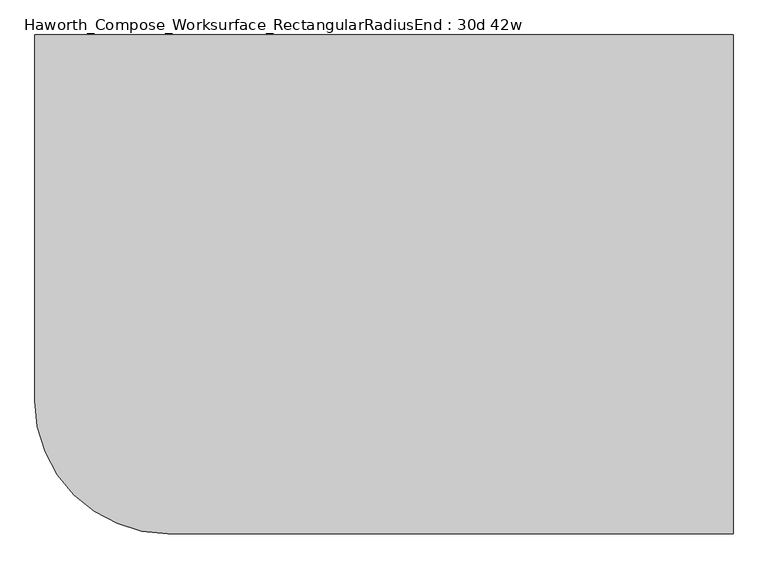
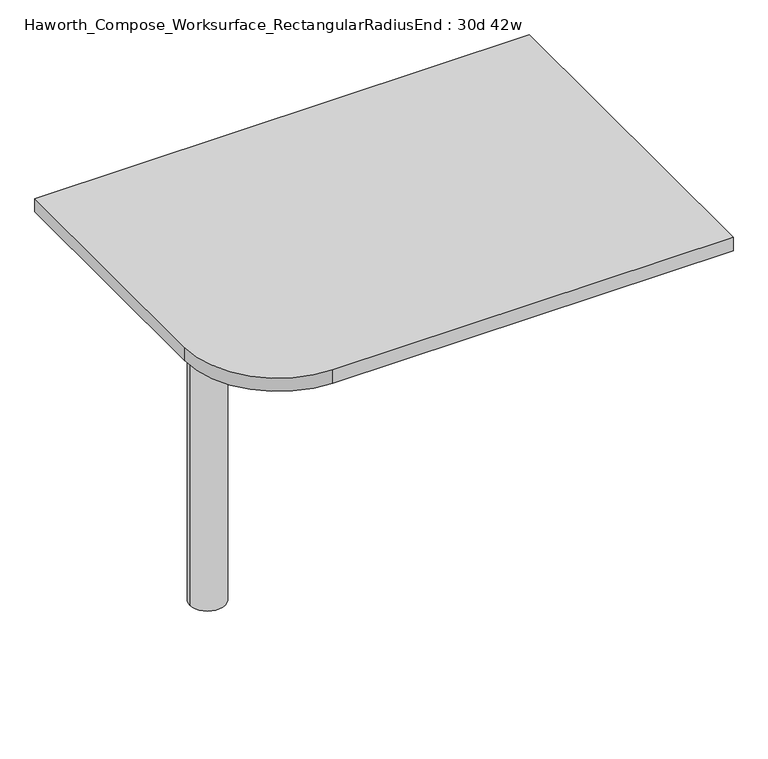
"""IFC4 building model written with IfcOpenShell, lengths in millimetres: furniture geometry, Haworth_Compose_Worksurface_RectangularRadiusEnd : 30d 42w."""

import ifcopenshell
import ifcopenshell.guid

model = None  # the IFC model being written
_history = None  # IfcOwnerHistory: only IFC2X3 demands one
_inside = {}  # id of a spatial element -> (the spatial element, [elements in it])
_under = {}  # id of a project, library or spatial element -> (it, [spatial elements below it])
_declared = {}  # id of a project -> (the project, [libraries it declares])
_typed = {}  # id of a type object -> (the type object, [elements of that type])
_made_of = {}  # id of a material, layer set ... -> (it, [elements and type objects made of it])


def new_model(schema):
    """Start an empty IFC model of exactly this schema.

    Asked for "IFC4X3", IfcOpenShell would pick the latest addendum, in which some entities
    have other attributes; the version numbers below select the first issue.
    IFC2X3 requires an IfcOwnerHistory on every rooted entity: one is made here for all.
    """
    global model, _history
    if schema == "IFC4X3":
        model = ifcopenshell.file(schema_version=(4, 3, 0, 0))
    else:
        model = ifcopenshell.file(schema=schema)
    _inside.clear()
    _under.clear()
    _declared.clear()
    _typed.clear()
    _made_of.clear()
    _history = None
    if model.schema == "IFC2X3":
        org = make("IfcOrganization", Name="unknown")
        user = make(
            "IfcPersonAndOrganization",
            ThePerson=make("IfcPerson", FamilyName="unknown"),
            TheOrganization=org,
        )
        app = make(
            "IfcApplication",
            ApplicationDeveloper=org,
            Version="unknown",
            ApplicationFullName="unknown",
            ApplicationIdentifier="unknown",
        )
        _history = make(
            "IfcOwnerHistory",
            OwningUser=user,
            OwningApplication=app,
            ChangeAction="ADDED",
            CreationDate=0,
        )
    return model


def make(cls, **values):
    """One entity of the class cls with the attributes given. An attribute that is None is left unset."""
    return model.create_entity(
        cls, **{name: value for name, value in values.items() if value is not None}
    )


def rooted(cls, **values):
    """An entity with a GlobalId (a new one), such as an element, a storey or a relation."""
    return make(cls, GlobalId=ifcopenshell.guid.new(), OwnerHistory=_history, **values)


def si_unit(unit_type, name, prefix=None):
    """IfcSIUnit, for example si_unit("LENGTHUNIT", "METRE", prefix="MILLI")."""
    return make("IfcSIUnit", UnitType=unit_type, Prefix=prefix, Name=name)


def assignment(units):
    """IfcUnitAssignment: the units of a project."""
    return None if units is None else make("IfcUnitAssignment", Units=units)


def point(xyz):
    """IfcCartesianPoint."""
    return None if xyz is None else make("IfcCartesianPoint", Coordinates=xyz)


def direction(xyz):
    """IfcDirection."""
    return None if xyz is None else make("IfcDirection", DirectionRatios=xyz)


def frame(location, z_axis=None, x_axis=None):
    """IfcAxis2Placement3D, a coordinate frame: its origin and axes. An axis left out is left unset."""
    return make(
        "IfcAxis2Placement3D",
        Location=point(location),
        Axis=direction(z_axis),
        RefDirection=direction(x_axis),
    )


def frame_2d(location, x_axis=None):
    """IfcAxis2Placement2D, a coordinate frame in the plane: its origin and x axis."""
    return make(
        "IfcAxis2Placement2D", Location=point(location), RefDirection=direction(x_axis)
    )


def origin():
    """The frame at (0, 0, 0) with its axes left unset."""
    return frame((0.0, 0.0, 0.0))


def place(relative_to, where):
    """IfcLocalPlacement: puts the frame where relative to a parent placement (None: the world)."""
    return make(
        "IfcLocalPlacement", PlacementRelTo=relative_to, RelativePlacement=where
    )


def context(
    kind, dimensions, precision=None, world=None, true_north=None, identifier=None
):
    """IfcGeometricRepresentationContext, for example the 3D "Model" context."""
    return make(
        "IfcGeometricRepresentationContext",
        ContextIdentifier=identifier,
        ContextType=kind,
        CoordinateSpaceDimension=dimensions,
        Precision=precision,
        WorldCoordinateSystem=world,
        TrueNorth=true_north,
    )


def project(units=None, contexts=None):
    """IfcProject with its units and contexts."""
    return rooted(
        "IfcProject",
        Name="project",
        RepresentationContexts=contexts,
        UnitsInContext=assignment(units),
    )


def spatial(cls, under=None, at=None, **own):
    """A site, building, storey or space (cls), placed at a placement, below another one or the project."""
    s = rooted(cls, ObjectPlacement=at, **own)
    if under is not None:
        _under.setdefault(under.id(), (under, []))[1].append(s)
    return s


def polyline(points):
    """IfcPolyline through the points."""
    return make("IfcPolyline", Points=[point(p) for p in points])


def circle_curve(where, radius):
    """IfcCircle in the frame where."""
    return make("IfcCircle", Position=where, Radius=radius)


def trimmed(basis, trim1, trim2, sense, master):
    """IfcTrimmedCurve: the piece of a basis curve between two trims."""
    return make(
        "IfcTrimmedCurve",
        BasisCurve=basis,
        Trim1=trim1,
        Trim2=trim2,
        SenseAgreement=sense,
        MasterRepresentation=master,
    )


def segment(curve, same_sense, transition):
    """IfcCompositeCurveSegment."""
    return make(
        "IfcCompositeCurveSegment",
        Transition=transition,
        SameSense=same_sense,
        ParentCurve=curve,
    )


def composite_curve(segments, self_intersect=None):
    """IfcCompositeCurve: segments joined end to end."""
    return make("IfcCompositeCurve", Segments=segments, SelfIntersect=self_intersect)


def outline(outer, holes=None, kind="AREA"):
    """IfcArbitraryClosedProfileDef: a profile drawn as a closed curve; with holes, ...WithVoids."""
    if holes is None:
        return make("IfcArbitraryClosedProfileDef", ProfileType=kind, OuterCurve=outer)
    return make(
        "IfcArbitraryProfileDefWithVoids",
        ProfileType=kind,
        OuterCurve=outer,
        InnerCurves=holes,
    )


def extrude(swept, where, along, depth):
    """IfcExtrudedAreaSolid: the profile swept, set in the frame where, extruded along a direction by depth."""
    return make(
        "IfcExtrudedAreaSolid",
        SweptArea=swept,
        Position=where,
        ExtrudedDirection=direction(along),
        Depth=depth,
    )


def shape(context_of_items, identifier, shape_type, items):
    """IfcShapeRepresentation: the items that make up one representation, for example the "Body"."""
    return make(
        "IfcShapeRepresentation",
        ContextOfItems=context_of_items,
        RepresentationIdentifier=identifier,
        RepresentationType=shape_type,
        Items=items,
    )


def source(mapping_origin, context_of_items, identifier, shape_type, items):
    """IfcRepresentationMap: a shape defined once, which mapped items show again and again."""
    return make(
        "IfcRepresentationMap",
        MappingOrigin=mapping_origin,
        MappedRepresentation=shape(context_of_items, identifier, shape_type, items),
    )


def transform(
    local_origin,
    x_axis=None,
    y_axis=None,
    z_axis=None,
    scale=None,
    scale2=None,
    scale3=None,
    uniform=True,
):
    """IfcCartesianTransformationOperator3D, or its non-uniform kind. x_axis, y_axis, z_axis: its Axis1, 2, 3."""
    if uniform:
        return make(
            "IfcCartesianTransformationOperator3D",
            Axis1=direction(x_axis),
            Axis2=direction(y_axis),
            LocalOrigin=point(local_origin),
            Scale=scale,
            Axis3=direction(z_axis),
        )
    return make(
        "IfcCartesianTransformationOperator3DnonUniform",
        Axis1=direction(x_axis),
        Axis2=direction(y_axis),
        LocalOrigin=point(local_origin),
        Scale=scale,
        Axis3=direction(z_axis),
        Scale2=scale2,
        Scale3=scale3,
    )


def mapped(mapping_source, mapping_target):
    """IfcMappedItem: shows the shape of a source again, moved by a transform."""
    return make(
        "IfcMappedItem", MappingSource=mapping_source, MappingTarget=mapping_target
    )


def made_of(thing, what):
    """Note that an element or type object is made of a material, layer set ...; save() writes the relation."""
    if what is not None:
        _made_of.setdefault(what.id(), (what, []))[1].append(thing)
    return thing


def element(
    cls,
    number,
    at=None,
    inside=None,
    cuts=None,
    type_object=None,
    material=None,
    context=None,
    identifier="Body",
    shape_type=None,
    held_by="IfcProductDefinitionShape",
    body=None,
    shapes=None,
    **own,
):
    """One element of the class cls, such as IfcWall. Its Tag is "e" and its number.

    at: its placement. inside: the storey or other place that contains it. cuts: it is an
    opening in that element (IfcRelVoidsElement). A single representation is given by context,
    identifier, shape_type and body (its items); several are given by shapes. held_by: the class
    of the entity that holds the representations. save() writes the other relations.
    """
    e = rooted(cls, Tag="e%d" % number, ObjectPlacement=at, **own)
    if body is not None:
        shapes = [shape(context, identifier, shape_type, body)]
    if shapes is not None:
        e.Representation = make(held_by, Representations=shapes)
    if inside is not None:
        _inside.setdefault(inside.id(), (inside, []))[1].append(e)
    if cuts is not None:
        rooted(
            "IfcRelVoidsElement", RelatingBuildingElement=cuts, RelatedOpeningElement=e
        )
    if type_object is not None:
        _typed.setdefault(type_object.id(), (type_object, []))[1].append(e)
    return made_of(e, material)


def aggregate(whole, parts):
    """IfcRelAggregates: a whole, such as a stair, and the parts it consists of."""
    return rooted("IfcRelAggregates", RelatingObject=whole, RelatedObjects=parts)


def save(model, path):
    """Write the relations noted so far, then the file.

    IfcRelAggregates (storeys below a building ...), IfcRelContainedInSpatialStructure (elements
    in a storey), IfcRelDefinesByType, IfcRelAssociatesMaterial and IfcRelDeclares: one each for
    every whole, place, type object, material and project.
    """
    for whole, parts in _under.values():
        aggregate(whole, parts)
    for where, things in _inside.values():
        rooted(
            "IfcRelContainedInSpatialStructure",
            RelatedElements=things,
            RelatingStructure=where,
        )
    for kind, things in _typed.values():
        rooted("IfcRelDefinesByType", RelatedObjects=things, RelatingType=kind)
    for what, things in _made_of.values():
        rooted("IfcRelAssociatesMaterial", RelatedObjects=things, RelatingMaterial=what)
    for by, libraries in _declared.values():
        rooted("IfcRelDeclares", RelatingContext=by, RelatedDefinitions=libraries)
    model.write(path)


def plane_surface(at):
    """IfcPlane: the flat surface through the origin of the frame at, square to its z axis."""
    return make("IfcPlane", Position=at)


def cylinder_surface(at, radius):
    """IfcCylindricalSurface: all points at the distance radius from the z axis of the frame at."""
    return make("IfcCylindricalSurface", Position=at, Radius=radius)


def revolved_surface(curve, axis_point, axis_direction):
    """IfcSurfaceOfRevolution: the curve turned about the line through axis_point along axis_direction."""
    return make(
        "IfcSurfaceOfRevolution",
        SweptCurve=make("IfcArbitraryOpenProfileDef", ProfileType="CURVE", Curve=curve),
        AxisPosition=make("IfcAxis1Placement", Location=point(axis_point), Axis=direction(axis_direction)),
    )


def advanced_brep(points, edges, surfaces, faces):
    """IfcAdvancedBrep: a solid bounded by faces that lie on surfaces and meet in shared edges.

    An edge is (start, end): straight between two places in points (the first is 0);
    or (start, end, curve); or (start, end, curve, False) where it runs against its curve.
    A face is (place in surfaces, loops), or (place, loops, False) where it looks against
    its surface's normal. A loop lists edges by number (the first is 1), with a minus sign
    where the edge is run from its end to its start. The first loop is the outer one.
    """
    corners = [point(p) for p in points]
    vertices = [make("IfcVertexPoint", VertexGeometry=c) for c in corners]
    made = []
    for start, end, *more in edges:
        made.append(
            make(
                "IfcEdgeCurve",
                EdgeStart=vertices[start],
                EdgeEnd=vertices[end],
                EdgeGeometry=more[0] if more else make("IfcPolyline", Points=[corners[start], corners[end]]),
                SameSense=more[1] if len(more) > 1 else True,
            )
        )
    hull = []
    for where, loops, *sense in faces:
        bounds = []
        for j, loop in enumerate(loops):
            ring = [make("IfcOrientedEdge", EdgeElement=made[abs(k) - 1], Orientation=k > 0) for k in loop]
            bounds.append(
                make(
                    "IfcFaceOuterBound" if j == 0 else "IfcFaceBound",
                    Bound=make("IfcEdgeLoop", EdgeList=ring),
                    Orientation=True,
                )
            )
        hull.append(make("IfcAdvancedFace", Bounds=bounds, FaceSurface=surfaces[where], SameSense=sense[0] if sense else True))
    return make("IfcAdvancedBrep", Outer=make("IfcClosedShell", CfsFaces=hull))


def haworth_compose_worksurface_rectangularradiusend_30d_42w_fe7e2249(model_context):
    return source(origin(), model_context, "Body", "SolidModel", [
        advanced_brep(
        [(527.84375, 381.0, 475.45625), (527.84375, 365.125, 475.45625), (527.84375, -25.4, 691.7192568), (527.84375, -25.4, 704.05625), (527.84375, 365.125, 704.05625), (527.84375, 381.0, 704.05625), (527.84375, 297.690072, 665.95625), (527.84375, 254.0355284, 665.95625), (527.84375, 251.3564235, 656.3705539), (527.84375, 343.0776173, 605.5776439), (527.84375, 352.425, 611.1756969), (527.84375, 352.425, 634.6860246), (527.84375, 350.6730055, 637.5242776), (527.84375, 300.7663437, 665.1613425), (530.225, 381.0, 475.45625), (530.225, 381.0, 704.05625), (530.225, 365.125, 704.05625), (530.225, 365.125, 706.4375), (530.225, -25.4, 706.4375), (530.225, -25.4, 691.7192568), (530.225, 365.125, 475.45625), (530.225, 297.690072, 665.95625), (530.225, 300.7663437, 665.1613425), (530.225, 350.6730055, 637.5242776), (530.225, 352.425, 634.6860246), (530.225, 352.425, 611.1756969), (530.225, 343.0776173, 605.5776439), (530.225, 251.3564235, 656.3705539), (530.225, 254.0355284, 665.95625), (488.95, -25.4, 706.4375), (488.95, -25.4, 704.05625), (488.95, 365.125, 704.05625), (488.95, 365.125, 706.4375)],
        [
            (0, 1),
            (1, 2),
            (2, 3),
            (3, 4),
            (4, 5),
            (5, 0),
            (6, 7),
            (7, 8, circle_curve(frame((527.84375, 254.0355284, 660.7890106), z_axis=(1.0, 0.0, 0.0), x_axis=(0.0, -1.0, 0.0)), 5.1672394)),
            (8, 9),
            (9, 10, circle_curve(frame((527.84375, 346.075, 611.1756969), z_axis=(1.0, 0.0, 0.0), x_axis=(0.0, -1.0, 0.0)), 6.35)),
            (10, 11),
            (11, 12, circle_curve(frame((527.84375, 349.25, 634.6860246), z_axis=(1.0, 0.0, 0.0), x_axis=(0.0, -1.0, 0.0)), 3.175)),
            (12, 13),
            (13, 6, circle_curve(frame((527.84375, 297.690072, 659.60625), z_axis=(1.0, 0.0, 0.0), x_axis=(0.0, -1.0, 0.0)), 6.35)),
            (14, 15),
            (15, 16),
            (16, 17),
            (17, 18),
            (18, 19),
            (19, 20),
            (20, 14),
            (21, 22, circle_curve(frame((530.225, 297.690072, 659.60625), z_axis=(-1.0, 0.0, 0.0), x_axis=(0.0, -1.0, 0.0)), 6.35)),
            (22, 23),
            (23, 24, circle_curve(frame((530.225, 349.25, 634.6860246), z_axis=(-1.0, 0.0, 0.0), x_axis=(0.0, -1.0, 0.0)), 3.175)),
            (24, 25),
            (25, 26, circle_curve(frame((530.225, 346.075, 611.1756969), z_axis=(-1.0, 0.0, 0.0), x_axis=(0.0, -1.0, 0.0)), 6.35)),
            (26, 27),
            (27, 28, circle_curve(frame((530.225, 254.0355284, 660.7890106), z_axis=(-1.0, 0.0, 0.0), x_axis=(0.0, -1.0, 0.0)), 5.1672394)),
            (28, 21),
            (4, 16),
            (15, 5),
            (14, 0),
            (20, 1),
            (19, 2),
            (18, 29),
            (29, 30),
            (30, 3),
            (6, 21),
            (28, 7),
            (9, 26),
            (25, 10),
            (24, 11),
            (23, 12),
            (27, 8),
            (31, 4),
            (30, 31),
            (32, 29),
            (17, 32),
            (31, 32),
            (22, 13),
        ],
        [
            plane_surface(frame((527.84375, 381.0, 475.45625), z_axis=(-1.0, 0.0, 0.0), x_axis=(0.0, 1.0, 0.0))),
            plane_surface(frame((530.225, 381.0, 475.45625), z_axis=(1.0, 0.0, 0.0), x_axis=(0.0, -1.0, 0.0))),
            plane_surface(frame((530.225, -25.4, 704.05625), z_axis=(0.0, 0.0, 1.0), x_axis=(-1.0, 0.0, 0.0))),
            plane_surface(frame((530.225, 381.0, 704.05625), z_axis=(0.0, 1.0, 0.0), x_axis=(-1.0, 0.0, 0.0))),
            plane_surface(frame((530.225, 381.0, 475.45625), z_axis=(0.0, 0.0, -1.0), x_axis=(-1.0, 0.0, 0.0))),
            plane_surface(frame((530.225, 365.125, 475.45625), z_axis=(0.0, -0.48445223513455843, -0.8748177135112952), x_axis=(-1.0, 0.0, 0.0))),
            plane_surface(frame((530.225, -25.4, 691.7192568), z_axis=(0.0, -1.0, 0.0), x_axis=(-1.0, 0.0, 0.0))),
            plane_surface(frame((530.225, 297.690072, 665.95625), z_axis=(0.0, 0.0, -1.0), x_axis=(-1.0, 0.0, 0.0))),
            revolved_surface(polyline([(527.84375, 339.72499999999997, 611.1756969), (530.225, 339.72499999999997, 611.1756969)]), (530.225, 346.075, 611.1756969), (-1.0, 0.0, 0.0)),
            plane_surface(frame((530.225, 352.425, 611.1756969), z_axis=(0.0, -1.0, 0.0), x_axis=(-1.0, 0.0, 0.0))),
            revolved_surface(polyline([(527.84375, 346.075, 634.6860246), (530.225, 346.075, 634.6860246)]), (530.225, 349.25, 634.6860246), (-1.0, 0.0, 0.0)),
            revolved_surface(polyline([(527.84375, 248.868289, 660.7890106), (530.225, 248.868289, 660.7890106)]), (530.225, 254.0355284, 660.7890106), (-1.0, 0.0, 0.0)),
            plane_surface(frame((530.225, 365.125, 704.05625), z_axis=(0.0, 0.0, -1.0), x_axis=(-1.0, 0.0, 0.0))),
            plane_surface(frame((530.225, 365.125, 706.4375), z_axis=(0.0, 0.0, 1.0), x_axis=(1.0, 0.0, 0.0))),
            plane_surface(frame((488.95, 365.125, 706.4375), z_axis=(0.0, 1.0, 0.0), x_axis=(0.0, 0.0, -1.0))),
            plane_surface(frame((488.95, -25.4, 706.4375), z_axis=(-1.0, 0.0, 0.0), x_axis=(0.0, 0.0, -1.0))),
            plane_surface(frame((530.225, 251.3564235, 656.3705539), z_axis=(0.0, 0.4844522351345583, 0.8748177135112953), x_axis=(-1.0, 0.0, 0.0))),
            plane_surface(frame((530.225, 350.6730055, 637.5242776), z_axis=(0.0, -0.4844522351345582, -0.8748177135112953), x_axis=(-1.0, 0.0, 0.0))),
            revolved_surface(polyline([(527.84375, 291.34007199999996, 659.60625), (530.225, 291.34007199999996, 659.60625)]), (530.225, 297.690072, 659.60625), (-1.0, 0.0, 0.0)),
        ],
        [
            (0, [[1, 2, 3, 4, 5, 6], [7, 8, 9, 10, 11, 12, 13, 14]]),
            (1, [[15, 16, 17, 18, 19, 20, 21], [22, 23, 24, 25, 26, 27, 28, 29]]),
            (2, [[-5, 30, -16, 31]]),
            (3, [[-31, -15, 32, -6]]),
            (4, [[-32, -21, 33, -1]]),
            (5, [[-33, -20, 34, -2]]),
            (6, [[-34, -19, 35, 36, 37, -3]]),
            (7, [[38, -29, 39, -7]]),
            (8, [[40, -26, 41, -10]]),
            (9, [[-41, -25, 42, -11]]),
            (10, [[-42, -24, 43, -12]]),
            (11, [[-39, -28, 44, -8]]),
            (12, [[45, -4, -37, 46]]),
            (13, [[47, -35, -18, 48]]),
            (14, [[-17, -30, -45, 49, -48]]),
            (15, [[-36, -47, -49, -46]]),
            (16, [[-44, -27, -40, -9]]),
            (17, [[-43, -23, 50, -13]]),
            (18, [[-50, -22, -38, -14]]),
        ],
    ),
        advanced_brep(
        [(-342.9, 0.0, 706.4375), (-419.1, 0.0, 706.4375), (-381.0, 0.0, 706.4375), (-342.9, 0.0, 0.0), (-419.1, 0.0, 0.0), (-381.0, 0.0, 0.0)],
        [
            (0, 1, circle_curve(frame((-381.0, 0.0, 706.4375), z_axis=(0.0, 0.0, 1.0), x_axis=(-1.0, 0.0, 0.0)), 38.1)),
            (1, 2),
            (2, 0),
            (1, 0, circle_curve(frame((-381.0, 0.0, 706.4375), z_axis=(0.0, 0.0, 1.0), x_axis=(-1.0, 0.0, 0.0)), 38.1)),
            (3, 4, circle_curve(frame((-381.0, 0.0, 0.0), z_axis=(0.0, 0.0, 1.0), x_axis=(-1.0, 0.0, 0.0)), 38.1)),
            (4, 1),
            (0, 3),
            (4, 3, circle_curve(frame((-381.0, 0.0, 0.0), z_axis=(0.0, 0.0, 1.0), x_axis=(-1.0, 0.0, 0.0)), 38.1)),
            (5, 4),
            (3, 5),
        ],
        [
            plane_surface(frame((-381.0, 0.0, 706.4375), z_axis=(0.0, 0.0, 1.0), x_axis=(-1.0, 0.0, 0.0))),
            cylinder_surface(frame((-381.0, 0.0, 889.623257), z_axis=(0.0, 0.0, -1.0), x_axis=(-1.0, 0.0, 0.0)), 38.1),
            plane_surface(frame((-381.0, 0.0, 0.0), z_axis=(0.0, 0.0, -1.0), x_axis=(-1.0, 0.0, 0.0))),
        ],
        [
            (0, [[1, 2, 3]]),
            (0, [[4, -3, -2]]),
            (1, [[5, 6, -1, 7]]),
            (1, [[8, -7, -4, -6]]),
            (2, [[9, -5, 10]]),
            (2, [[-10, -8, -9]]),
        ],
    ),
        extrude(outline(composite_curve([segment(polyline([(533.4, 381.0), (533.4, -381.0), (-330.2, -381.0)]), True, "CONTINUOUS"), segment(trimmed(circle_curve(frame_2d((-330.2, -177.8)), 203.2), [point((-330.2, -381.0))], [point((-533.4, -177.8))], False, "CARTESIAN"), True, "CONTINUOUS"), segment(polyline([(-533.4, -177.8), (-533.4, 381.0), (533.4, 381.0)]), True, "CONTINUOUS")], self_intersect=False)), frame((0.0, 0.0, 706.4375), z_axis=(0.0, 0.0, 1.0), x_axis=(1.0, 0.0, 0.0)), (0.0, 0.0, 1.0), 30.1625),
    ])


if __name__ == "__main__":
    model = new_model("IFC4")
    model_context = context("Model", 3, world=origin())
    ifc_project = project(units=[si_unit("LENGTHUNIT", "METRE", prefix="MILLI")], contexts=[model_context])
    site = spatial("IfcSite", under=ifc_project)
    building = spatial("IfcBuilding", under=site)
    placement = place(None, origin())
    haworth_compose_worksurface_rectangularradiusend_30d_42w_shape = haworth_compose_worksurface_rectangularradiusend_30d_42w_fe7e2249(model_context)
    element("IfcFurniture", 1, ObjectType="Haworth_Compose_Worksurface_RectangularRadiusEnd : 30d 42w", at=placement, inside=building, context=model_context, shape_type="MappedRepresentation", body=[
        mapped(haworth_compose_worksurface_rectangularradiusend_30d_42w_shape, transform((0.0, 0.0, 0.0), x_axis=(1.0, 0.0, 0.0), y_axis=(0.0, 1.0, 0.0), z_axis=(0.0, 0.0, 1.0))),
    ])
    save(model, "model.ifc")
